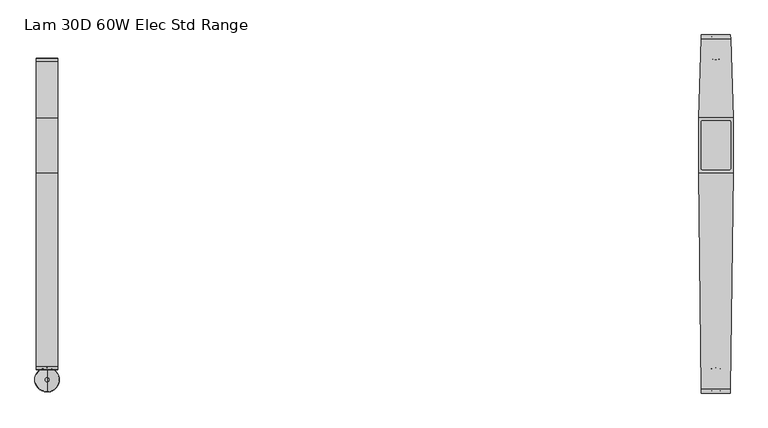
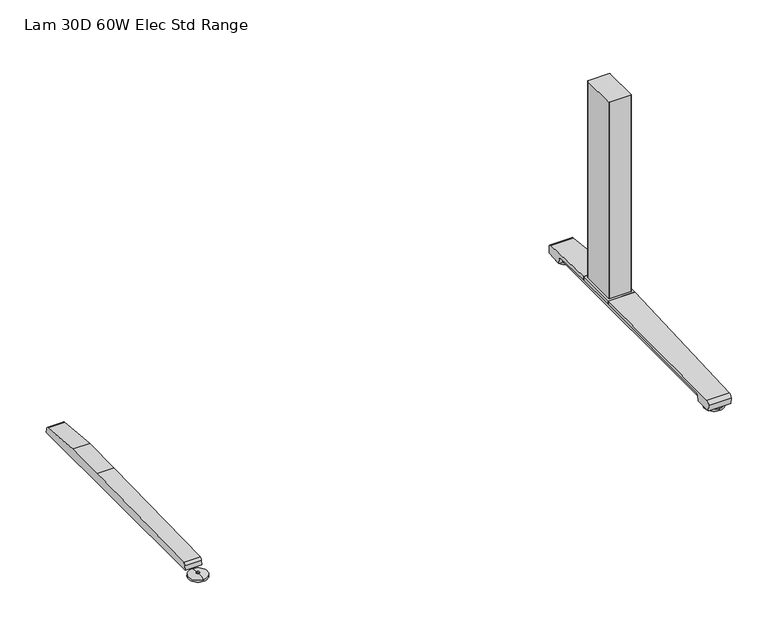
"""IFC4 building model written with IfcOpenShell, lengths in millimetres: furniture geometry, Lam 30D 60W Elec Std Range."""

from ifc_helpers import new_model, si_unit, point, frame, frame_2d, origin, place, context, project, spatial, polyline, circle_curve, ellipse_curve, trimmed, segment, composite_curve, outline, extrude, source, transform, mapped, element, save
from ifc_brep_helpers import plane_surface, cylinder_surface, revolved_surface, advanced_brep


def lam_30d_60w_elec_std_range_7ccabc96(model_context):
    return source(origin(), model_context, "Body", "SolidModel", [
        advanced_brep(
        [(-684.276, -364.1643617, 0.0), (-684.276, -313.9743384, 0.0), (-684.276, -339.06935, 0.0), (-684.276, -364.0796512, 5.0038001), (-684.276, -314.0590489, 5.0038001), (-684.276, -343.0698499, 8.4327997), (-684.276, -335.0688501, 8.4327997), (-684.276, -343.0698499, 10.0423733), (-684.276, -335.0688501, 10.0423733), (-684.276, -339.06935, 10.0423733)],
        [
            (0, 1, circle_curve(frame((-684.276, -339.06935, 0.0), z_axis=(0.0, 0.0, -1.0), x_axis=(0.0, 1.0, 0.0)), 25.0950117)),
            (1, 2),
            (2, 0),
            (1, 0, circle_curve(frame((-684.276, -339.06935, 0.0), z_axis=(0.0, 0.0, -1.0), x_axis=(0.0, 1.0, 0.0)), 25.0950117)),
            (3, 4, circle_curve(frame((-684.276, -339.06935, 5.0038001), z_axis=(0.0, 0.0, -1.0), x_axis=(0.0, 1.0, 0.0)), 25.0103012)),
            (4, 1),
            (0, 3),
            (4, 3, circle_curve(frame((-684.276, -339.06935, 5.0038001), z_axis=(0.0, 0.0, -1.0), x_axis=(0.0, 1.0, 0.0)), 25.0103012)),
            (5, 6, circle_curve(frame((-684.276, -339.06935, 8.4327997), z_axis=(0.0, 0.0, -1.0), x_axis=(0.0, 1.0, 0.0)), 4.0004999)),
            (6, 4, circle_curve(frame((-684.276, -335.0368668, -57.4502444), z_axis=(-1.0, 0.0, 0.0), x_axis=(0.0, 1.0, 0.0)), 65.8830518)),
            (3, 5, circle_curve(frame((-684.276, -343.1018333, -57.4502444), z_axis=(-1.0, 0.0, 0.0), x_axis=(0.0, -1.0, 0.0)), 65.8830518)),
            (6, 5, circle_curve(frame((-684.276, -339.06935, 8.4327997), z_axis=(0.0, 0.0, -1.0), x_axis=(0.0, 1.0, 0.0)), 4.0004999)),
            (7, 8, circle_curve(frame((-684.276, -339.06935, 10.0423733), z_axis=(0.0, 0.0, -1.0), x_axis=(0.0, 1.0, 0.0)), 4.0004999)),
            (8, 6),
            (5, 7),
            (8, 7, circle_curve(frame((-684.276, -339.06935, 10.0423733), z_axis=(0.0, 0.0, -1.0), x_axis=(0.0, 1.0, 0.0)), 4.0004999)),
            (9, 8),
            (7, 9),
        ],
        [
            plane_surface(frame((-684.276, -339.06935, 0.0), z_axis=(0.0, 0.0, -1.0), x_axis=(0.0, 1.0, 0.0))),
            revolved_surface(polyline([(-684.276, -313.9743384, 0.0), (-684.276, -314.0590489, 5.0038001)]), (-684.276, -339.06935, 0.0), (0.0, 0.0, 1.0)),
            revolved_surface(trimmed(ellipse_curve(frame((-684.276, -335.0368668, -57.4502444), z_axis=(1.0, 0.0, 0.0), x_axis=(0.0, 1.0, 0.0)), 65.8830518, 65.8830518), [point((-684.276, -314.0590489, 5.0038001))], [point((-684.276, -335.0688501, 8.4327997))], True, "CARTESIAN"), (-684.276, -339.06935, 0.0), (0.0, 0.0, 1.0)),
            cylinder_surface(frame((-684.276, -339.06935, 0.0), z_axis=(0.0, 0.0, 1.0), x_axis=(0.0, 1.0, 0.0)), 4.0004999),
            plane_surface(frame((-684.276, -339.06935, 10.0423733), z_axis=(0.0, 0.0, 1.0), x_axis=(0.0, 1.0, 0.0))),
        ],
        [
            (0, [[1, 2, 3]]),
            (0, [[4, -3, -2]]),
            (1, [[5, 6, -1, 7]]),
            (1, [[8, -7, -4, -6]]),
            (2, [[9, 10, -5, 11]]),
            (2, [[12, -11, -8, -10]]),
            (3, [[13, 14, -9, 15]]),
            (3, [[16, -15, -12, -14]]),
            (4, [[17, -13, 18]]),
            (4, [[-18, -16, -17]]),
        ],
    ),
        extrude(outline(composite_curve([segment(polyline([(317.3152602, 22.833301), (318.3038309, 11.5339019), (-318.3038309, 11.5339019), (-317.3152602, 22.833301)]), True, "CONTINUOUS"), segment(trimmed(circle_curve(frame_2d((-310.4929906, 22.2364289)), 6.8483297), [point((-317.3152602, 22.833301))], [point((-311.3603185, 29.0296138))], False, "CARTESIAN"), True, "CONTINUOUS"), segment(polyline([(-311.3603185, 29.0296138), (84.6231873, 38.9541198), (196.8596127, 38.9541198), (311.3603185, 29.0296138)]), True, "CONTINUOUS"), segment(trimmed(circle_curve(frame_2d((310.4929906, 22.2364289)), 6.8483297), [point((311.3603185, 29.0296138))], [point((317.3152602, 22.833301))], False, "CARTESIAN"), True, "CONTINUOUS")], self_intersect=False)), frame((-706.2724, 0.0, 0.0), z_axis=(1.0, 0.0, 0.0), x_axis=(0.0, 1.0, 0.0)), (0.0, 0.0, 1.0), 43.9928),
        extrude(outline(composite_curve([segment(trimmed(circle_curve(frame_2d((711.8521079, 188.3835079)), 2.3323921), [point((711.8521079, 190.7159))], [point((714.1845, 188.3835079))], False, "CARTESIAN"), True, "CONTINUOUS"), segment(polyline([(714.1845, 188.3835079), (714.1845, 93.0992921)]), True, "CONTINUOUS"), segment(trimmed(circle_curve(frame_2d((711.8521079, 93.0992921)), 2.3323921), [point((714.1845, 93.0992921))], [point((711.8521079, 90.7669))], False, "CARTESIAN"), True, "CONTINUOUS"), segment(polyline([(711.8521079, 90.7669), (656.6998921, 90.7669)]), True, "CONTINUOUS"), segment(trimmed(circle_curve(frame_2d((656.6998921, 93.0992921)), 2.3323921), [point((656.6998921, 90.7669))], [point((654.3675, 93.0992921))], False, "CARTESIAN"), True, "CONTINUOUS"), segment(polyline([(654.3675, 93.0992921), (654.3675, 188.3835079)]), True, "CONTINUOUS"), segment(trimmed(circle_curve(frame_2d((656.6998921, 188.3835079)), 2.3323921), [point((654.3675, 188.3835079))], [point((656.6998921, 190.7159))], False, "CARTESIAN"), True, "CONTINUOUS"), segment(polyline([(656.6998921, 190.7159), (711.8521079, 190.7159)]), True, "CONTINUOUS")], self_intersect=False)), frame((0.0, 0.0, 48.10013), z_axis=(0.0, 0.0, 1.0), x_axis=(1.0, 0.0, 0.0)), (0.0, 0.0, 1.0), 550.9989485),
        advanced_brep(
        [(684.276, 314.8489737, 0.0), (684.276, 365.038997, 0.0), (684.276, 339.9439854, 0.0), (684.276, 314.9336842, 5.0038001), (684.276, 364.9542866, 5.0038001), (684.276, 335.9434855, 8.4327997), (684.276, 343.9444853, 8.4327997), (684.276, 335.9434855, 10.0423733), (684.276, 343.9444853, 10.0423733), (684.276, 339.9439854, 10.0423733)],
        [
            (0, 1, circle_curve(frame((684.276, 339.9439854, 0.0), z_axis=(0.0, 0.0, -1.0), x_axis=(0.0, 1.0, 0.0)), 25.0950117)),
            (1, 2),
            (2, 0),
            (1, 0, circle_curve(frame((684.276, 339.9439854, 0.0), z_axis=(0.0, 0.0, -1.0), x_axis=(0.0, 1.0, 0.0)), 25.0950117)),
            (3, 4, circle_curve(frame((684.276, 339.9439854, 5.0038001), z_axis=(0.0, 0.0, -1.0), x_axis=(0.0, 1.0, 0.0)), 25.0103012)),
            (4, 1),
            (0, 3),
            (4, 3, circle_curve(frame((684.276, 339.9439854, 5.0038001), z_axis=(0.0, 0.0, -1.0), x_axis=(0.0, 1.0, 0.0)), 25.0103012)),
            (5, 6, circle_curve(frame((684.276, 339.9439854, 8.4327997), z_axis=(0.0, 0.0, -1.0), x_axis=(0.0, 1.0, 0.0)), 4.0004999)),
            (6, 4, circle_curve(frame((684.276, 343.9764687, -57.4502444), z_axis=(-1.0, 0.0, 0.0), x_axis=(0.0, 1.0, 0.0)), 65.8830518)),
            (3, 5, circle_curve(frame((684.276, 335.9115021, -57.4502444), z_axis=(-1.0, 0.0, 0.0), x_axis=(0.0, -1.0, 0.0)), 65.8830518)),
            (6, 5, circle_curve(frame((684.276, 339.9439854, 8.4327997), z_axis=(0.0, 0.0, -1.0), x_axis=(0.0, 1.0, 0.0)), 4.0004999)),
            (7, 8, circle_curve(frame((684.276, 339.9439854, 10.0423733), z_axis=(0.0, 0.0, -1.0), x_axis=(0.0, 1.0, 0.0)), 4.0004999)),
            (8, 6),
            (5, 7),
            (8, 7, circle_curve(frame((684.276, 339.9439854, 10.0423733), z_axis=(0.0, 0.0, -1.0), x_axis=(0.0, 1.0, 0.0)), 4.0004999)),
            (9, 8),
            (7, 9),
        ],
        [
            plane_surface(frame((684.276, 339.9439854, 0.0), z_axis=(0.0, 0.0, -1.0), x_axis=(0.0, 1.0, 0.0))),
            revolved_surface(polyline([(684.276, 365.038997, 0.0), (684.276, 364.9542866, 5.0038001)]), (684.276, 339.9439854, 0.0), (0.0, 0.0, 1.0)),
            revolved_surface(trimmed(ellipse_curve(frame((684.276, 343.9764687, -57.4502444), z_axis=(1.0, 0.0, 0.0), x_axis=(0.0, 1.0, 0.0)), 65.8830518, 65.8830518), [point((684.276, 364.9542866, 5.0038001))], [point((684.276, 343.9444853, 8.4327997))], True, "CARTESIAN"), (684.276, 339.9439854, 0.0), (0.0, 0.0, 1.0)),
            cylinder_surface(frame((684.276, 339.9439854, 0.0), z_axis=(0.0, 0.0, 1.0), x_axis=(0.0, 1.0, 0.0)), 4.0004999),
            plane_surface(frame((684.276, 339.9439854, 10.0423733), z_axis=(0.0, 0.0, 1.0), x_axis=(0.0, 1.0, 0.0))),
        ],
        [
            (0, [[1, 2, 3]]),
            (0, [[4, -3, -2]]),
            (1, [[5, 6, -1, 7]]),
            (1, [[8, -7, -4, -6]]),
            (2, [[9, 10, -5, 11]]),
            (2, [[12, -11, -8, -10]]),
            (3, [[13, 14, -9, 15]]),
            (3, [[16, -15, -12, -14]]),
            (4, [[17, -13, 18]]),
            (4, [[-18, -16, -17]]),
        ],
    ),
        advanced_brep(
        [(684.276, -364.1643617, 0.0), (684.276, -313.9743384, 0.0), (684.276, -339.06935, 0.0), (684.276, -364.0796512, 5.0038001), (684.276, -314.0590489, 5.0038001), (684.276, -343.0698499, 8.4327997), (684.276, -335.0688501, 8.4327997), (684.276, -343.0698499, 10.0423733), (684.276, -335.0688501, 10.0423733), (684.276, -339.06935, 10.0423733)],
        [
            (0, 1, circle_curve(frame((684.276, -339.06935, 0.0), z_axis=(0.0, 0.0, -1.0), x_axis=(0.0, 1.0, 0.0)), 25.0950117)),
            (1, 2),
            (2, 0),
            (1, 0, circle_curve(frame((684.276, -339.06935, 0.0), z_axis=(0.0, 0.0, -1.0), x_axis=(0.0, 1.0, 0.0)), 25.0950117)),
            (3, 4, circle_curve(frame((684.276, -339.06935, 5.0038001), z_axis=(0.0, 0.0, -1.0), x_axis=(0.0, 1.0, 0.0)), 25.0103012)),
            (4, 1),
            (0, 3),
            (4, 3, circle_curve(frame((684.276, -339.06935, 5.0038001), z_axis=(0.0, 0.0, -1.0), x_axis=(0.0, 1.0, 0.0)), 25.0103012)),
            (5, 6, circle_curve(frame((684.276, -339.06935, 8.4327997), z_axis=(0.0, 0.0, -1.0), x_axis=(0.0, 1.0, 0.0)), 4.0004999)),
            (6, 4, circle_curve(frame((684.276, -335.0368668, -57.4502444), z_axis=(-1.0, 0.0, 0.0), x_axis=(0.0, 1.0, 0.0)), 65.8830518)),
            (3, 5, circle_curve(frame((684.276, -343.1018333, -57.4502444), z_axis=(-1.0, 0.0, 0.0), x_axis=(0.0, -1.0, 0.0)), 65.8830518)),
            (6, 5, circle_curve(frame((684.276, -339.06935, 8.4327997), z_axis=(0.0, 0.0, -1.0), x_axis=(0.0, 1.0, 0.0)), 4.0004999)),
            (7, 8, circle_curve(frame((684.276, -339.06935, 10.0423733), z_axis=(0.0, 0.0, -1.0), x_axis=(0.0, 1.0, 0.0)), 4.0004999)),
            (8, 6),
            (5, 7),
            (8, 7, circle_curve(frame((684.276, -339.06935, 10.0423733), z_axis=(0.0, 0.0, -1.0), x_axis=(0.0, 1.0, 0.0)), 4.0004999)),
            (9, 8),
            (7, 9),
        ],
        [
            plane_surface(frame((684.276, -339.06935, 0.0), z_axis=(0.0, 0.0, -1.0), x_axis=(0.0, 1.0, 0.0))),
            revolved_surface(polyline([(684.276, -313.9743384, 0.0), (684.276, -314.0590489, 5.0038001)]), (684.276, -339.06935, 0.0), (0.0, 0.0, 1.0)),
            revolved_surface(trimmed(ellipse_curve(frame((684.276, -335.0368668, -57.4502444), z_axis=(1.0, 0.0, 0.0), x_axis=(0.0, 1.0, 0.0)), 65.8830518, 65.8830518), [point((684.276, -314.0590489, 5.0038001))], [point((684.276, -335.0688501, 8.4327997))], True, "CARTESIAN"), (684.276, -339.06935, 0.0), (0.0, 0.0, 1.0)),
            cylinder_surface(frame((684.276, -339.06935, 0.0), z_axis=(0.0, 0.0, 1.0), x_axis=(0.0, 1.0, 0.0)), 4.0004999),
            plane_surface(frame((684.276, -339.06935, 10.0423733), z_axis=(0.0, 0.0, 1.0), x_axis=(0.0, 1.0, 0.0))),
        ],
        [
            (0, [[1, 2, 3]]),
            (0, [[4, -3, -2]]),
            (1, [[5, 6, -1, 7]]),
            (1, [[8, -7, -4, -6]]),
            (2, [[9, 10, -5, 11]]),
            (2, [[12, -11, -8, -10]]),
            (3, [[13, 14, -9, 15]]),
            (3, [[16, -15, -12, -14]]),
            (4, [[17, -13, 18]]),
            (4, [[-18, -16, -17]]),
        ],
    ),
        extrude(outline(polyline([(719.4068382, 196.8596127), (719.4068382, 84.6231873), (649.1451618, 84.6231873), (649.1451618, 196.8596127), (719.4068382, 196.8596127)])), frame((0.0, 0.0, 38.9541198), z_axis=(0.0, 0.0, 1.0), x_axis=(1.0, 0.0, 0.0)), (0.0, 0.0, 1.0), 9.1460102),
        advanced_brep(
        [(713.9735496, 366.395, 26.8186), (714.213509, 358.907527, 35.7787117), (719.4068382, 196.8596127, 48.10013), (719.4068382, 196.8596127, 38.9541198), (715.7373071, 311.3603185, 29.0296138), (715.5464625, 317.3152602, 22.833301), (715.5106016, 318.4342309, 10.0434261), (714.0198676, 364.9497362, 10.041053), (654.338849, 358.907527, 35.7787117), (654.5788083, 366.395, 26.8186), (654.5324903, 364.9497362, 10.041053), (653.0417563, 318.4342309, 10.0434261), (653.0058954, 317.3152602, 22.833301), (652.8150508, 311.3603185, 29.0296138), (649.1455193, 196.8596013, 38.9541208), (649.1455197, 196.8596127, 48.10013)],
        [
            (0, 1, ellipse_curve(frame((714.2380766, 358.1409412, 27.5296273), z_axis=(0.9994868545941118, 0.03203166392132806, 0.0), x_axis=(0.032031663921324206, -0.9994868545941118, 0.0)), 8.2888806, 8.2846272)),
            (1, 2, ellipse_curve(frame((769.3365776, -1361.1024809, -21513.5555312), z_axis=(0.9994868545941118, 0.03203166392132806, 0.0), x_axis=(0.032031663921324206, -0.9994868545941118, 0.0)), 21628.9673574, 21617.8685521)),
            (2, 3),
            (3, 4),
            (4, 5, ellipse_curve(frame((715.7651033, 310.4929906, 22.2364289), z_axis=(-0.9994868545941118, -0.03203166392132806, 0.0), x_axis=(-0.032031663921324206, 0.9994868545941118, 0.0)), 6.8518456, 6.8483297)),
            (5, 6),
            (6, 7),
            (7, 0),
            (8, 9, ellipse_curve(frame((654.3142813, 358.1409412, 27.5296273), z_axis=(-0.9994868545941165, 0.03203166392118305, 0.0), x_axis=(0.032031663921181265, 0.9994868545941163, 0.0)), 8.2888806, 8.2846272)),
            (9, 10),
            (10, 11),
            (11, 12),
            (12, 13, ellipse_curve(frame((652.7872546, 310.4929906, 22.2364289), z_axis=(0.9994868545941165, -0.03203166392118305, 0.0), x_axis=(-0.032031663921181265, -0.9994868545941163, 0.0)), 6.8518456, 6.8483297)),
            (13, 14),
            (14, 15),
            (15, 8, ellipse_curve(frame((599.2157803, -1361.1024809, -21513.5555312), z_axis=(-0.9994868545941165, 0.03203166392118305, 0.0), x_axis=(0.032031663921181265, 0.9994868545941163, 0.0)), 21628.9673574, 21617.8685521)),
            (0, 9),
            (8, 1),
            (7, 10),
            (6, 11),
            (5, 12),
            (4, 13),
            (3, 14),
            (2, 15),
        ],
        [
            plane_surface(frame((713.9226732, 367.9825, 48.10013), z_axis=(0.9994868545941118, 0.03203166392132806, 0.0), x_axis=(0.0, 0.0, -1.0))),
            plane_surface(frame((649.1455197, 196.8596127, 48.10013), z_axis=(-0.9994868545941165, 0.03203166392118305, 0.0), x_axis=(0.0, 0.0, -1.0))),
            cylinder_surface(frame((649.1451618, 358.1409412, 27.5296273), z_axis=(1.0, 0.0, 0.0), x_axis=(0.0, 1.0, 0.0)), 8.2846272),
            plane_surface(frame((719.4068382, 364.9497362, 10.041053), z_axis=(0.0, 0.9963102368703288, -0.08582489095471861), x_axis=(-1.0, 0.0, 0.0))),
            plane_surface(frame((719.4068382, 318.4342309, 10.0434261), z_axis=(0.0, -5.101798419269663e-05, -0.9999999986985827), x_axis=(-1.0, 0.0, 0.0))),
            plane_surface(frame((719.4068382, 317.3152602, 22.833301), z_axis=(0.0, -0.9961946873837872, -0.0871558651400954), x_axis=(-1.0, 0.0, 0.0))),
            revolved_surface(polyline([(652.567778584501, 317.3413203, 22.2364289), (715.9845793155, 317.3413203, 22.2364289)]), (649.1451618, 310.4929906, 22.2364289), (-1.0, 0.0, 0.0)),
            plane_surface(frame((719.4068382, 196.8596127, 38.9541198), z_axis=(0.0, -0.08635260649839663, -0.9962646372078722), x_axis=(-1.0, 0.0, 0.0))),
            plane_surface(frame((719.4068382, 196.8596127, 48.10013), z_axis=(0.0, -1.0, 0.0), x_axis=(-1.0, 0.0, 0.0))),
            cylinder_surface(frame((649.1451618, -1361.1024809, -21513.5555312), z_axis=(1.0, 0.0, 0.0), x_axis=(0.0, 1.0, 0.0)), 21617.8685521),
        ],
        [
            (0, [[1, 2, 3, 4, 5, 6, 7, 8]]),
            (1, [[9, 10, 11, 12, 13, 14, 15, 16]]),
            (2, [[17, -9, 18, -1]]),
            (3, [[-17, -8, 19, -10]]),
            (4, [[-19, -7, 20, -11]]),
            (5, [[-20, -6, 21, -12]]),
            (6, [[-21, -5, 22, -13]]),
            (7, [[23, -14, -22, -4]]),
            (8, [[-23, -3, 24, -15]]),
            (9, [[-24, -2, -18, -16]]),
        ],
    ),
        extrude(outline(composite_curve([segment(polyline([(317.3152602, 22.833301), (318.3038309, 11.5339019), (-318.3038309, 11.5339019), (-317.3152602, 22.833301)]), True, "CONTINUOUS"), segment(trimmed(circle_curve(frame_2d((-310.4929906, 22.2364289)), 6.8483297), [point((-317.3152602, 22.833301))], [point((-311.3603185, 29.0296138))], False, "CARTESIAN"), True, "CONTINUOUS"), segment(polyline([(-311.3603185, 29.0296138), (84.6231873, 38.9541198), (196.8596127, 38.9541198), (311.3603185, 29.0296138)]), True, "CONTINUOUS"), segment(trimmed(circle_curve(frame_2d((310.4929906, 22.2364289)), 6.8483297), [point((311.3603185, 29.0296138))], [point((317.3152602, 22.833301))], False, "CARTESIAN"), True, "CONTINUOUS")], self_intersect=False)), frame((662.2796, 0.0, 0.0), z_axis=(1.0, 0.0, 0.0), x_axis=(0.0, 1.0, 0.0)), (0.0, 0.0, 1.0), 43.9928),
        advanced_brep(
        [(714.0326335, -358.907527, 35.7787117), (654.5197244, -358.907527, 35.7787117), (654.6104491, -366.395, 26.8186), (713.9419088, -366.395, 26.8186), (654.5929371, -364.9497362, 10.041053), (713.9594208, -364.9497362, 10.041053), (654.0293147, -318.4342309, 10.0434261), (714.5230432, -318.4342309, 10.0434261), (654.0157562, -317.3152602, 22.833301), (714.5366017, -317.3152602, 22.833301), (653.943601, -311.3603185, 29.0296138), (714.6087569, -311.3603185, 29.0296138), (649.1451618, 84.6231873, 38.9541198), (719.4068382, 84.6231873, 38.9541198), (649.1455197, 84.6231873, 48.10013), (719.4068382, 84.6231873, 48.10013)],
        [
            (0, 1),
            (1, 2, ellipse_curve(frame((654.5104358, -358.1409412, 27.5296273), z_axis=(0.9999265987939379, 0.012115982188308264, 0.0), x_axis=(0.01211598218829372, -0.9999265987939379, 0.0)), 8.2852353, 8.2846272)),
            (2, 3),
            (3, 0, ellipse_curve(frame((714.0419221, -358.1409412, 27.5296273), z_axis=(-0.999926598793938, 0.01211598218829309, 0.0), x_axis=(0.012115982188293767, 0.9999265987939379, 0.0)), 8.2852353, 8.2846272)),
            (2, 4),
            (4, 5),
            (5, 3),
            (4, 6),
            (6, 7),
            (7, 5),
            (6, 8),
            (8, 9),
            (9, 7),
            (8, 10, ellipse_curve(frame((653.9330917, -310.4929906, 22.2364289), z_axis=(-0.9999265987939379, -0.012115982188308264, 0.0), x_axis=(-0.01211598218829372, 0.9999265987939379, 0.0)), 6.8488324, 6.8483297)),
            (10, 11),
            (11, 9, ellipse_curve(frame((714.6192662, -310.4929906, 22.2364289), z_axis=(0.999926598793938, -0.01211598218829309, 0.0), x_axis=(-0.012115982188293767, -0.9999265987939379, 0.0)), 6.8488324, 6.8483297)),
            (12, 13),
            (13, 11),
            (10, 12),
            (12, 14),
            (14, 15),
            (15, 13),
            (15, 0, ellipse_curve(frame((734.8737739, 1361.1024809, -53889.962004), z_axis=(0.999926598793938, -0.01211598218829309, 0.0), x_axis=(0.012115982188293767, 0.9999265987939379, 0.0)), 53957.1248938, 53953.1643758)),
            (1, 14, ellipse_curve(frame((633.678584, 1361.1024809, -53889.962004), z_axis=(-0.9999265987939379, -0.012115982188308264, 0.0), x_axis=(0.01211598218829372, -0.9999265987939379, 0.0)), 53957.1248938, 53953.1643758)),
        ],
        [
            cylinder_surface(frame((649.1451618, -358.1409412, 27.5296273), z_axis=(1.0, 0.0, 0.0), x_axis=(0.0, 1.0, 0.0)), 8.2846272),
            plane_surface(frame((719.4068382, -366.395, 26.8186), z_axis=(0.0, -0.9963102368705485, -0.0858248909521675), x_axis=(-1.0, 0.0, 0.0))),
            plane_surface(frame((719.4068382, -364.9497362, 10.041053), z_axis=(0.0, 5.101798391284063e-05, -0.9999999986985827), x_axis=(-1.0, 0.0, 0.0))),
            plane_surface(frame((719.4068382, -318.4342309, 10.0434261), z_axis=(0.0, 0.9961946873837968, -0.08715586513998663), x_axis=(-1.0, 0.0, 0.0))),
            revolved_surface(polyline([(653.850111368631, -303.64466089999996, 22.2364289), (714.7022465313689, -303.64466089999996, 22.2364289)]), (649.1451618, -310.4929906, 22.2364289), (-1.0, 0.0, 0.0)),
            plane_surface(frame((719.4068382, -311.3603185, 29.0296138), z_axis=(0.0, 0.025055059879514837, -0.999686072712046), x_axis=(-1.0, 0.0, 0.0))),
            plane_surface(frame((719.4068382, 84.6231873, 38.9541198), z_axis=(0.0, 1.0, 0.0), x_axis=(-1.0, 0.0, 0.0))),
            plane_surface(frame((719.4068382, 84.6231873, 48.10013), z_axis=(0.999926598793938, -0.01211598218829309, 0.0), x_axis=(0.0, 0.0, -1.0))),
            plane_surface(frame((654.6296847, -367.9825, 48.10013), z_axis=(-0.9999265987939379, -0.012115982188308264, 0.0), x_axis=(0.0, 0.0, -1.0))),
            cylinder_surface(frame((649.1451618, 1361.1024809, -53889.962004), z_axis=(1.0, 0.0, 0.0), x_axis=(0.0, 1.0, 0.0)), 53953.1643758),
        ],
        [
            (0, [[1, 2, 3, 4]]),
            (1, [[-3, 5, 6, 7]]),
            (2, [[-6, 8, 9, 10]]),
            (3, [[-9, 11, 12, 13]]),
            (4, [[-12, 14, 15, 16]]),
            (5, [[17, 18, -15, 19]]),
            (6, [[-17, 20, 21, 22]]),
            (7, [[-4, -7, -10, -13, -16, -18, -22, 23]]),
            (8, [[-2, 24, -20, -19, -14, -11, -8, -5]]),
            (9, [[-21, -24, -1, -23]]),
        ],
    ),
    ])


if __name__ == "__main__":
    model = new_model("IFC4")
    model_context = context("Model", 3, world=origin())
    ifc_project = project(units=[si_unit("LENGTHUNIT", "METRE", prefix="MILLI")], contexts=[model_context])
    site = spatial("IfcSite", under=ifc_project)
    building = spatial("IfcBuilding", under=site)
    placement = place(None, origin())
    lam_30d_60w_elec_std_range_shape = lam_30d_60w_elec_std_range_7ccabc96(model_context)
    element("IfcFurniture", 1, ObjectType="Lam 30D 60W Elec Std Range", at=placement, inside=building, context=model_context, shape_type="MappedRepresentation", body=[
        mapped(lam_30d_60w_elec_std_range_shape, transform((0.0, 0.0, 0.0), x_axis=(1.0, 0.0, 0.0), y_axis=(0.0, 1.0, 0.0), z_axis=(0.0, 0.0, 1.0))),
    ])
    save(model, "model.ifc")
